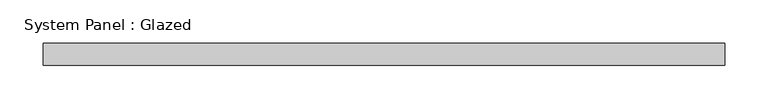
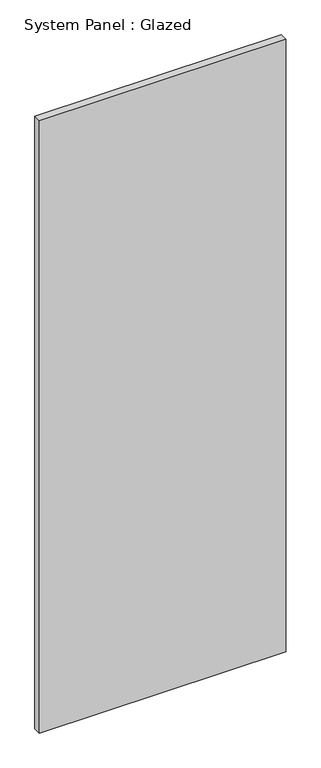
"""IFC4 building model written with IfcOpenShell, lengths in millimetres: plate geometry, System Panel : Glazed."""

import ifcopenshell
import ifcopenshell.guid

model = None  # the IFC model being written
_history = None  # IfcOwnerHistory: only IFC2X3 demands one
_inside = {}  # id of a spatial element -> (the spatial element, [elements in it])
_under = {}  # id of a project, library or spatial element -> (it, [spatial elements below it])
_declared = {}  # id of a project -> (the project, [libraries it declares])
_typed = {}  # id of a type object -> (the type object, [elements of that type])
_made_of = {}  # id of a material, layer set ... -> (it, [elements and type objects made of it])


def new_model(schema):
    """Start an empty IFC model of exactly this schema.

    Asked for "IFC4X3", IfcOpenShell would pick the latest addendum, in which some entities
    have other attributes; the version numbers below select the first issue.
    IFC2X3 requires an IfcOwnerHistory on every rooted entity: one is made here for all.
    """
    global model, _history
    if schema == "IFC4X3":
        model = ifcopenshell.file(schema_version=(4, 3, 0, 0))
    else:
        model = ifcopenshell.file(schema=schema)
    _inside.clear()
    _under.clear()
    _declared.clear()
    _typed.clear()
    _made_of.clear()
    _history = None
    if model.schema == "IFC2X3":
        org = make("IfcOrganization", Name="unknown")
        user = make(
            "IfcPersonAndOrganization",
            ThePerson=make("IfcPerson", FamilyName="unknown"),
            TheOrganization=org,
        )
        app = make(
            "IfcApplication",
            ApplicationDeveloper=org,
            Version="unknown",
            ApplicationFullName="unknown",
            ApplicationIdentifier="unknown",
        )
        _history = make(
            "IfcOwnerHistory",
            OwningUser=user,
            OwningApplication=app,
            ChangeAction="ADDED",
            CreationDate=0,
        )
    return model


def make(cls, **values):
    """One entity of the class cls with the attributes given. An attribute that is None is left unset."""
    return model.create_entity(
        cls, **{name: value for name, value in values.items() if value is not None}
    )


def rooted(cls, **values):
    """An entity with a GlobalId (a new one), such as an element, a storey or a relation."""
    return make(cls, GlobalId=ifcopenshell.guid.new(), OwnerHistory=_history, **values)


def si_unit(unit_type, name, prefix=None):
    """IfcSIUnit, for example si_unit("LENGTHUNIT", "METRE", prefix="MILLI")."""
    return make("IfcSIUnit", UnitType=unit_type, Prefix=prefix, Name=name)


def assignment(units):
    """IfcUnitAssignment: the units of a project."""
    return None if units is None else make("IfcUnitAssignment", Units=units)


def point(xyz):
    """IfcCartesianPoint."""
    return None if xyz is None else make("IfcCartesianPoint", Coordinates=xyz)


def direction(xyz):
    """IfcDirection."""
    return None if xyz is None else make("IfcDirection", DirectionRatios=xyz)


def frame(location, z_axis=None, x_axis=None):
    """IfcAxis2Placement3D, a coordinate frame: its origin and axes. An axis left out is left unset."""
    return make(
        "IfcAxis2Placement3D",
        Location=point(location),
        Axis=direction(z_axis),
        RefDirection=direction(x_axis),
    )


def origin():
    """The frame at (0, 0, 0) with its axes left unset."""
    return frame((0.0, 0.0, 0.0))


def origin_with_axes():
    """The frame at (0, 0, 0) with the z axis (0, 0, 1) and the x axis (1, 0, 0) written out."""
    return frame((0.0, 0.0, 0.0), z_axis=(0.0, 0.0, 1.0), x_axis=(1.0, 0.0, 0.0))


def place(relative_to, where):
    """IfcLocalPlacement: puts the frame where relative to a parent placement (None: the world)."""
    return make(
        "IfcLocalPlacement", PlacementRelTo=relative_to, RelativePlacement=where
    )


def context(
    kind, dimensions, precision=None, world=None, true_north=None, identifier=None
):
    """IfcGeometricRepresentationContext, for example the 3D "Model" context."""
    return make(
        "IfcGeometricRepresentationContext",
        ContextIdentifier=identifier,
        ContextType=kind,
        CoordinateSpaceDimension=dimensions,
        Precision=precision,
        WorldCoordinateSystem=world,
        TrueNorth=true_north,
    )


def project(units=None, contexts=None):
    """IfcProject with its units and contexts."""
    return rooted(
        "IfcProject",
        Name="project",
        RepresentationContexts=contexts,
        UnitsInContext=assignment(units),
    )


def spatial(cls, under=None, at=None, **own):
    """A site, building, storey or space (cls), placed at a placement, below another one or the project."""
    s = rooted(cls, ObjectPlacement=at, **own)
    if under is not None:
        _under.setdefault(under.id(), (under, []))[1].append(s)
    return s


def polyline(points):
    """IfcPolyline through the points."""
    return make("IfcPolyline", Points=[point(p) for p in points])


def outline(outer, holes=None, kind="AREA"):
    """IfcArbitraryClosedProfileDef: a profile drawn as a closed curve; with holes, ...WithVoids."""
    if holes is None:
        return make("IfcArbitraryClosedProfileDef", ProfileType=kind, OuterCurve=outer)
    return make(
        "IfcArbitraryProfileDefWithVoids",
        ProfileType=kind,
        OuterCurve=outer,
        InnerCurves=holes,
    )


def extrude(swept, where, along, depth):
    """IfcExtrudedAreaSolid: the profile swept, set in the frame where, extruded along a direction by depth."""
    return make(
        "IfcExtrudedAreaSolid",
        SweptArea=swept,
        Position=where,
        ExtrudedDirection=direction(along),
        Depth=depth,
    )


def shape(context_of_items, identifier, shape_type, items):
    """IfcShapeRepresentation: the items that make up one representation, for example the "Body"."""
    return make(
        "IfcShapeRepresentation",
        ContextOfItems=context_of_items,
        RepresentationIdentifier=identifier,
        RepresentationType=shape_type,
        Items=items,
    )


def source(mapping_origin, context_of_items, identifier, shape_type, items):
    """IfcRepresentationMap: a shape defined once, which mapped items show again and again."""
    return make(
        "IfcRepresentationMap",
        MappingOrigin=mapping_origin,
        MappedRepresentation=shape(context_of_items, identifier, shape_type, items),
    )


def transform(
    local_origin,
    x_axis=None,
    y_axis=None,
    z_axis=None,
    scale=None,
    scale2=None,
    scale3=None,
    uniform=True,
):
    """IfcCartesianTransformationOperator3D, or its non-uniform kind. x_axis, y_axis, z_axis: its Axis1, 2, 3."""
    if uniform:
        return make(
            "IfcCartesianTransformationOperator3D",
            Axis1=direction(x_axis),
            Axis2=direction(y_axis),
            LocalOrigin=point(local_origin),
            Scale=scale,
            Axis3=direction(z_axis),
        )
    return make(
        "IfcCartesianTransformationOperator3DnonUniform",
        Axis1=direction(x_axis),
        Axis2=direction(y_axis),
        LocalOrigin=point(local_origin),
        Scale=scale,
        Axis3=direction(z_axis),
        Scale2=scale2,
        Scale3=scale3,
    )


def mapped(mapping_source, mapping_target):
    """IfcMappedItem: shows the shape of a source again, moved by a transform."""
    return make(
        "IfcMappedItem", MappingSource=mapping_source, MappingTarget=mapping_target
    )


def made_of(thing, what):
    """Note that an element or type object is made of a material, layer set ...; save() writes the relation."""
    if what is not None:
        _made_of.setdefault(what.id(), (what, []))[1].append(thing)
    return thing


def element(
    cls,
    number,
    at=None,
    inside=None,
    cuts=None,
    type_object=None,
    material=None,
    context=None,
    identifier="Body",
    shape_type=None,
    held_by="IfcProductDefinitionShape",
    body=None,
    shapes=None,
    **own,
):
    """One element of the class cls, such as IfcWall. Its Tag is "e" and its number.

    at: its placement. inside: the storey or other place that contains it. cuts: it is an
    opening in that element (IfcRelVoidsElement). A single representation is given by context,
    identifier, shape_type and body (its items); several are given by shapes. held_by: the class
    of the entity that holds the representations. save() writes the other relations.
    """
    e = rooted(cls, Tag="e%d" % number, ObjectPlacement=at, **own)
    if body is not None:
        shapes = [shape(context, identifier, shape_type, body)]
    if shapes is not None:
        e.Representation = make(held_by, Representations=shapes)
    if inside is not None:
        _inside.setdefault(inside.id(), (inside, []))[1].append(e)
    if cuts is not None:
        rooted(
            "IfcRelVoidsElement", RelatingBuildingElement=cuts, RelatedOpeningElement=e
        )
    if type_object is not None:
        _typed.setdefault(type_object.id(), (type_object, []))[1].append(e)
    return made_of(e, material)


def aggregate(whole, parts):
    """IfcRelAggregates: a whole, such as a stair, and the parts it consists of."""
    return rooted("IfcRelAggregates", RelatingObject=whole, RelatedObjects=parts)


def save(model, path):
    """Write the relations noted so far, then the file.

    IfcRelAggregates (storeys below a building ...), IfcRelContainedInSpatialStructure (elements
    in a storey), IfcRelDefinesByType, IfcRelAssociatesMaterial and IfcRelDeclares: one each for
    every whole, place, type object, material and project.
    """
    for whole, parts in _under.values():
        aggregate(whole, parts)
    for where, things in _inside.values():
        rooted(
            "IfcRelContainedInSpatialStructure",
            RelatedElements=things,
            RelatingStructure=where,
        )
    for kind, things in _typed.values():
        rooted("IfcRelDefinesByType", RelatedObjects=things, RelatingType=kind)
    for what, things in _made_of.values():
        rooted("IfcRelAssociatesMaterial", RelatedObjects=things, RelatingMaterial=what)
    for by, libraries in _declared.values():
        rooted("IfcRelDeclares", RelatingContext=by, RelatedDefinitions=libraries)
    model.write(path)


def system_panel_glazed_dda1358d(model_context):
    return source(origin(), model_context, "Body", "SweptSolid", [
        extrude(outline(polyline([(393.7, 19.05), (-393.7, 19.05), (-393.7, 44.45), (393.7, 44.45), (393.7, 19.05)])), origin_with_axes(), (0.0, 0.0, 1.0), 2070.1),
    ])


if __name__ == "__main__":
    model = new_model("IFC4")
    model_context = context("Model", 3, world=origin())
    ifc_project = project(units=[si_unit("LENGTHUNIT", "METRE", prefix="MILLI")], contexts=[model_context])
    site = spatial("IfcSite", under=ifc_project)
    building = spatial("IfcBuilding", under=site)
    placement = place(None, origin())
    system_panel_glazed_shape = system_panel_glazed_dda1358d(model_context)
    element("IfcPlate", 1, ObjectType="System Panel : Glazed", at=placement, inside=building, context=model_context, shape_type="MappedRepresentation", body=[
        mapped(system_panel_glazed_shape, transform((0.0, 0.0, 0.0), x_axis=(1.0, 0.0, 0.0), y_axis=(0.0, 1.0, 0.0), z_axis=(0.0, 0.0, 1.0))),
    ])
    save(model, "model.ifc")
